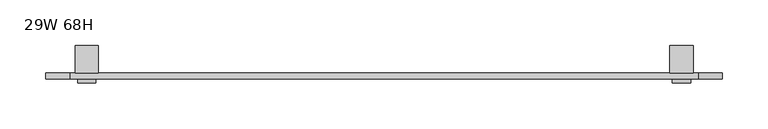
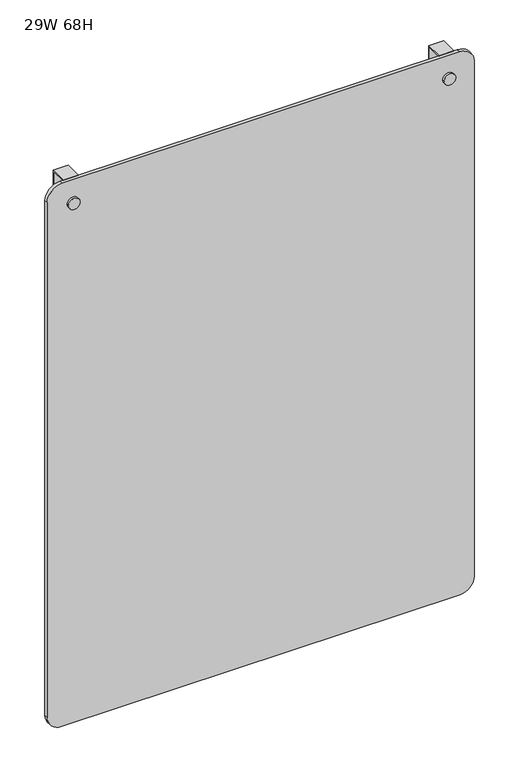
"""IFC4 building model written with IfcOpenShell, lengths in millimetres: furniture geometry, 29W 68H."""

from ifc_helpers import new_model, si_unit, point, frame, frame_2d, origin, place, context, project, spatial, polyline, circle_curve, trimmed, segment, composite_curve, outline, extrude, source, transform, mapped, element, save
from ifc_brep_helpers import plane_surface, cylinder_surface, advanced_brep


def furniture_29w_68h_a5111889(model_context):
    return source(origin(), model_context, "Body", "SolidModel", [
        extrude(outline(composite_curve([segment(trimmed(circle_curve(frame_2d((1691.7472356, 692.1509659)), 10.033), [point((1691.7472356, 682.1179659))], [point((1691.7472356, 702.1839659))], False, "CARTESIAN"), True, "CONTINUOUS"), segment(trimmed(circle_curve(frame_2d((1691.7472356, 692.1509659)), 10.033), [point((1691.7472356, 702.1839659))], [point((1691.7472356, 682.1179659))], False, "CARTESIAN"), True, "CONTINUOUS")], self_intersect=False)), frame((0.0, -12.7, 0.0), z_axis=(0.0, 1.0, 0.0), x_axis=(0.0, 0.0, 1.0)), (0.0, 0.0, 1.0), 4.1011999),
        extrude(outline(composite_curve([segment(trimmed(circle_curve(frame_2d((1691.7472356, 44.4509659)), 10.033), [point((1691.7472356, 34.4179659))], [point((1691.7472356, 54.4839659))], False, "CARTESIAN"), True, "CONTINUOUS"), segment(trimmed(circle_curve(frame_2d((1691.7472356, 44.4509659)), 10.033), [point((1691.7472356, 54.4839659))], [point((1691.7472356, 34.4179659))], False, "CARTESIAN"), True, "CONTINUOUS")], self_intersect=False)), frame((0.0, -12.7, 0.0), z_axis=(0.0, 1.0, 0.0), x_axis=(0.0, 0.0, 1.0)), (0.0, 0.0, 1.0), 4.1011999),
        advanced_brep(
        [(31.750978, -2.2488003, 1691.5074307), (57.1509538, -2.2488003, 1691.5074307), (57.1509538, -2.2488003, 1732.9658), (31.750978, -2.2488003, 1732.9658), (57.1509538, 0.0, 1691.5074307), (31.750978, 0.0, 1691.5074307), (31.750978, 0.0, 1731.4606411), (57.1509538, 0.0, 1731.4606411), (57.1509538, 26.2796823, 1731.4606411), (57.1509538, 26.2796823, 1708.4159735), (57.1509538, 27.8036831, 1708.4159735), (57.1509538, 27.8036831, 1732.9658), (31.750978, 27.8036831, 1732.9658), (31.750978, 27.8036831, 1708.4159735), (31.750978, 26.2796823, 1708.4159735), (31.750978, 26.2796823, 1731.4606411)],
        [
            (0, 1, circle_curve(frame((44.4509659, -2.2488003, 1691.5074307), z_axis=(0.0, -1.0, 0.0), x_axis=(1.0, 0.0, 0.0)), 12.6999879)),
            (1, 2),
            (2, 3),
            (3, 0),
            (4, 5, circle_curve(frame((44.4509659, 0.0, 1691.5074307), z_axis=(0.0, 1.0, 0.0), x_axis=(1.0, 0.0, 0.0)), 12.6999879)),
            (5, 6),
            (6, 7),
            (7, 4),
            (0, 5),
            (4, 1),
            (7, 8),
            (8, 9),
            (9, 10),
            (10, 11),
            (11, 2),
            (3, 12),
            (12, 13),
            (13, 14),
            (14, 15),
            (15, 6),
            (11, 12),
            (15, 8),
            (10, 13, circle_curve(frame((44.4509659, 27.8036831, 1708.4159735), z_axis=(0.0, 1.0, 0.0), x_axis=(1.0, 0.0, 0.0)), 12.6999879)),
            (14, 9, circle_curve(frame((44.4509659, 26.2796823, 1708.4159735), z_axis=(0.0, -1.0, 0.0), x_axis=(1.0, 0.0, 0.0)), 12.6999879)),
        ],
        [
            plane_surface(frame((57.1509538, -2.2488003, 1691.5074307), z_axis=(0.0, -1.0, 0.0), x_axis=(0.0, 0.0, 1.0))),
            plane_surface(frame((57.1509538, 0.0, 1691.5074307), z_axis=(0.0, 1.0, 0.0), x_axis=(0.0, 0.0, -1.0))),
            cylinder_surface(frame((44.4509659, 0.0, 1691.5074307), z_axis=(0.0, -1.0, 0.0), x_axis=(1.0, 0.0, 0.0)), 12.6999879),
            plane_surface(frame((57.1509538, -2.2488003, 1691.5074307), z_axis=(1.0, 0.0, 0.0), x_axis=(0.0, 1.0, 0.0))),
            plane_surface(frame((31.750978, -2.2488003, 1732.5877525), z_axis=(-1.0, 0.0, 0.0), x_axis=(0.0, 1.0, 0.0))),
            plane_surface(frame((57.1509538, -2.2488003, 1732.9658), z_axis=(0.0, 0.0, 1.0), x_axis=(0.0, 1.0, 0.0))),
            plane_surface(frame((57.1509538, -2.2488003, 1731.4606411), z_axis=(0.0, 0.0, -1.0), x_axis=(0.0, -1.0, 0.0))),
            plane_surface(frame((57.1509538, 27.8036831, 1732.9658), z_axis=(0.0, 1.0, 0.0), x_axis=(0.0, 0.0, -1.0))),
            plane_surface(frame((57.1509538, 26.2796823, 1708.4159735), z_axis=(0.0, -1.0, 0.0), x_axis=(0.0, 0.0, 1.0))),
            cylinder_surface(frame((44.4509659, 27.8036831, 1708.4159735), z_axis=(0.0, -1.0, 0.0), x_axis=(1.0, 0.0, 0.0)), 12.6999879),
        ],
        [
            (0, [[1, 2, 3, 4]]),
            (1, [[5, 6, 7, 8]]),
            (2, [[-1, 9, -5, 10]]),
            (3, [[-10, -8, 11, 12, 13, 14, 15, -2]]),
            (4, [[-9, -4, 16, 17, 18, 19, 20, -6]]),
            (5, [[-15, 21, -16, -3]]),
            (6, [[-7, -20, 22, -11]]),
            (7, [[-17, -21, -14, 23]]),
            (8, [[24, -12, -22, -19]]),
            (9, [[-24, -18, -23, -13]]),
        ],
    ),
        advanced_brep(
        [(704.8509447, -0.2812013, 1691.9043057), (679.4509689, -0.2812013, 1691.9043057), (679.4509689, -0.2812013, 1731.4606411), (704.8509447, -0.2812013, 1731.4606411), (679.4509689, -2.2488003, 1691.9043057), (704.8509447, -2.2488003, 1691.9043057), (704.8509447, -2.2488003, 1732.9658), (679.4509689, -2.2488003, 1732.9658), (704.8509447, 26.2796823, 1731.4606411), (704.8509447, 26.2796823, 1708.4159735), (704.8509447, 27.8036831, 1708.4159735), (704.8509447, 27.8036831, 1732.9658), (679.4509689, 27.8036831, 1732.9658), (679.4509689, 27.8036831, 1708.4159735), (679.4509689, 26.2796823, 1708.4159735), (679.4509689, 26.2796823, 1731.4606411)],
        [
            (0, 1, circle_curve(frame((692.1509568, -0.2812013, 1691.9043057), z_axis=(0.0, 1.0, 0.0), x_axis=(1.0, 0.0, 0.0)), 12.6999879)),
            (1, 2),
            (2, 3),
            (3, 0),
            (4, 5, circle_curve(frame((692.1509568, -2.2488003, 1691.9043057), z_axis=(0.0, -1.0, 0.0), x_axis=(1.0, 0.0, 0.0)), 12.6999879)),
            (5, 6),
            (6, 7),
            (7, 4),
            (0, 5),
            (4, 1),
            (3, 8),
            (8, 9),
            (9, 10),
            (10, 11),
            (11, 6),
            (11, 12),
            (12, 7),
            (12, 13),
            (13, 14),
            (14, 15),
            (15, 2),
            (15, 8),
            (10, 13, circle_curve(frame((692.1509568, 27.8036831, 1708.4159735), z_axis=(0.0, 1.0, 0.0), x_axis=(1.0, 0.0, 0.0)), 12.6999879)),
            (14, 9, circle_curve(frame((692.1509568, 26.2796823, 1708.4159735), z_axis=(0.0, -1.0, 0.0), x_axis=(1.0, 0.0, 0.0)), 12.6999879)),
        ],
        [
            plane_surface(frame((704.8509447, -0.2812013, 1691.9043057), z_axis=(0.0, 1.0, 0.0), x_axis=(0.0, 0.0, -1.0))),
            plane_surface(frame((704.8509447, -2.2488003, 1691.9043057), z_axis=(0.0, -1.0, 0.0), x_axis=(0.0, 0.0, 1.0))),
            cylinder_surface(frame((692.1509568, -0.2812013, 1691.9043057), z_axis=(0.0, -1.0, 0.0), x_axis=(1.0, 0.0, 0.0)), 12.6999879),
            plane_surface(frame((704.8509447, -2.2488003, 1691.9043057), z_axis=(1.0, 0.0, 0.0), x_axis=(0.0, 1.0, 0.0))),
            plane_surface(frame((704.8509447, -2.2488003, 1732.9658), z_axis=(0.0, 0.0, 1.0), x_axis=(0.0, 1.0, 0.0))),
            plane_surface(frame((679.4509689, -2.2488003, 1732.9658), z_axis=(-1.0, 0.0, 0.0), x_axis=(0.0, 1.0, 0.0))),
            plane_surface(frame((704.8509447, -2.2488003, 1731.4606411), z_axis=(0.0, 0.0, -1.0), x_axis=(0.0, -1.0, 0.0))),
            plane_surface(frame((704.8509447, 27.8036831, 1732.9658), z_axis=(0.0, 1.0, 0.0), x_axis=(0.0, 0.0, -1.0))),
            plane_surface(frame((704.8509447, 26.2796823, 1708.4159735), z_axis=(0.0, -1.0, 0.0), x_axis=(0.0, 0.0, 1.0))),
            cylinder_surface(frame((692.1509568, 27.8036831, 1708.4159735), z_axis=(0.0, -1.0, 0.0), x_axis=(1.0, 0.0, 0.0)), 12.6999879),
        ],
        [
            (0, [[1, 2, 3, 4]]),
            (1, [[5, 6, 7, 8]]),
            (2, [[-1, 9, -5, 10]]),
            (3, [[-9, -4, 11, 12, 13, 14, 15, -6]]),
            (4, [[-7, -15, 16, 17]]),
            (5, [[-10, -8, -17, 18, 19, 20, 21, -2]]),
            (6, [[-3, -21, 22, -11]]),
            (7, [[-18, -16, -14, 23]]),
            (8, [[24, -12, -22, -20]]),
            (9, [[-24, -19, -23, -13]]),
        ],
    ),
        extrude(outline(composite_curve([segment(polyline([(1706.6383317, 0.0009774), (767.9299307, 0.0009774)]), True, "CONTINUOUS"), segment(trimmed(circle_curve(frame_2d((767.9299307, 25.3192413)), 25.3182639), [point((767.9299307, 0.0009774))], [point((742.6116668, 25.3192413))], False, "CARTESIAN"), True, "CONTINUOUS"), segment(polyline([(742.6116668, 25.3192413), (742.6116668, 711.5095622)]), True, "CONTINUOUS"), segment(trimmed(circle_curve(frame_2d((767.6259045, 711.5095622)), 25.0142378), [point((742.6116668, 711.5095622))], [point((767.6259045, 736.5238))], False, "CARTESIAN"), True, "CONTINUOUS"), segment(polyline([(767.6259045, 736.5238), (1707.6470397, 736.5238)]), True, "CONTINUOUS"), segment(trimmed(circle_curve(frame_2d((1707.6470397, 711.2050397)), 25.3187603), [point((1707.6470397, 736.5238))], [point((1732.9658, 711.2050397))], False, "CARTESIAN"), True, "CONTINUOUS"), segment(polyline([(1732.9658, 711.2050397), (1732.9658, 26.3284457)]), True, "CONTINUOUS"), segment(trimmed(circle_curve(frame_2d((1706.6383317, 26.3284457)), 26.3274683), [point((1732.9658, 26.3284457))], [point((1706.6383317, 0.0009774))], False, "CARTESIAN"), True, "CONTINUOUS")], self_intersect=False)), frame((0.0, -8.5988001, 0.0), z_axis=(0.0, 1.0, 0.0), x_axis=(0.0, 0.0, 1.0)), (0.0, 0.0, 1.0), 6.3499998),
    ])


if __name__ == "__main__":
    model = new_model("IFC4")
    model_context = context("Model", 3, world=origin())
    ifc_project = project(units=[si_unit("LENGTHUNIT", "METRE", prefix="MILLI")], contexts=[model_context])
    site = spatial("IfcSite", under=ifc_project)
    building = spatial("IfcBuilding", under=site)
    placement = place(None, origin())
    furniture_29w_68h_shape = furniture_29w_68h_a5111889(model_context)
    element("IfcFurniture", 1, ObjectType="29W 68H", at=placement, inside=building, context=model_context, shape_type="MappedRepresentation", body=[
        mapped(furniture_29w_68h_shape, transform((0.0, 0.0, 0.0), x_axis=(1.0, 0.0, 0.0), y_axis=(0.0, 1.0, 0.0), z_axis=(0.0, 0.0, 1.0))),
    ])
    save(model, "model.ifc")
